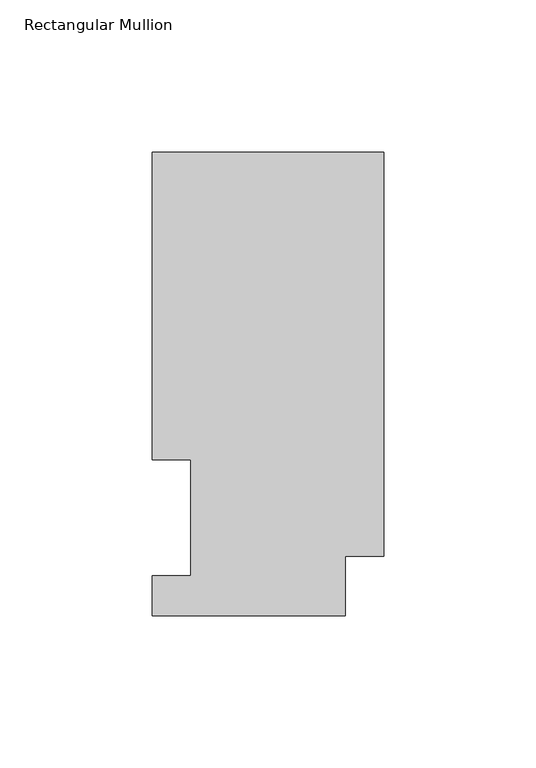
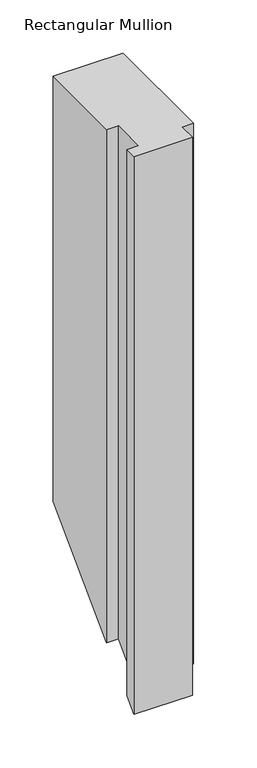
"""IFC4 building model written with IfcOpenShell, lengths in millimetres: member geometry, Rectangular Mullion."""

from ifc_helpers import new_model, si_unit, origin, place, context, project, spatial, faceted_brep, source, transform, mapped, element, save


def rectangular_mullion_051e144f(model_context):
    return source(origin(), model_context, "Body", "Brep", [
        faceted_brep([(-76.2, 152.4896938, 0.0), (-76.2, 51.2960938, 0.0), (-63.5127, 51.2960938, 0.0), (-63.5127, 13.1960938, 0.0), (-76.2, 13.1960938, 0.0), (-76.2, 0.0134938, 0.0), (-12.7, 0.0134938, 0.0), (-12.7, 19.5460937, 0.0), (0.0, 19.5460937, 0.0), (0.0, 152.4896938, 0.0), (-76.2, 152.4896938, -488.860306), (-76.2, 51.2960938, -590.053906), (-63.5127, 51.2960938, -590.053906), (-63.5127, 13.1960938, -628.153906), (-76.2, 13.1960938, -628.153906), (-76.2, 0.0134938, -641.336506), (-12.7, 0.0134938, -641.336506), (-12.7, 19.5460937, -621.803906), (0.0, 19.5460937, -621.803906), (0.0, 152.4896938, -488.860306)], [[[0, 1, 2, 3, 4, 5, 6, 7, 8, 9]], [[1, 0, 10, 11]], [[2, 1, 11, 12]], [[3, 2, 12, 13]], [[4, 3, 13, 14]], [[5, 4, 14, 15]], [[6, 5, 15, 16]], [[7, 6, 16, 17]], [[8, 7, 17, 18]], [[9, 8, 18, 19]], [[0, 9, 19, 10]], [[10, 19, 18, 17, 16, 15, 14, 13, 12, 11]]]),
    ])


if __name__ == "__main__":
    model = new_model("IFC4")
    model_context = context("Model", 3, world=origin())
    ifc_project = project(units=[si_unit("LENGTHUNIT", "METRE", prefix="MILLI")], contexts=[model_context])
    site = spatial("IfcSite", under=ifc_project)
    building = spatial("IfcBuilding", under=site)
    placement = place(None, origin())
    rectangular_mullion_shape = rectangular_mullion_051e144f(model_context)
    element("IfcMember", 1, ObjectType="Rectangular Mullion", at=placement, inside=building, context=model_context, shape_type="MappedRepresentation", body=[
        mapped(rectangular_mullion_shape, transform((0.0, 0.0, 0.0), x_axis=(1.0, 0.0, 0.0), y_axis=(0.0, 1.0, 0.0), z_axis=(0.0, 0.0, 1.0))),
    ])
    save(model, "model.ifc")
